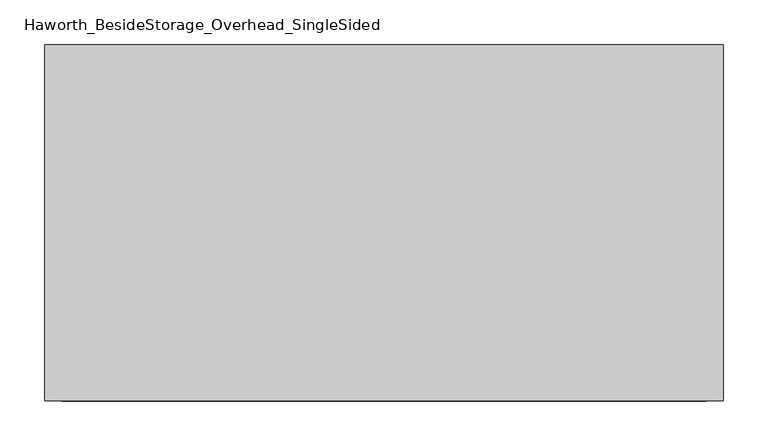
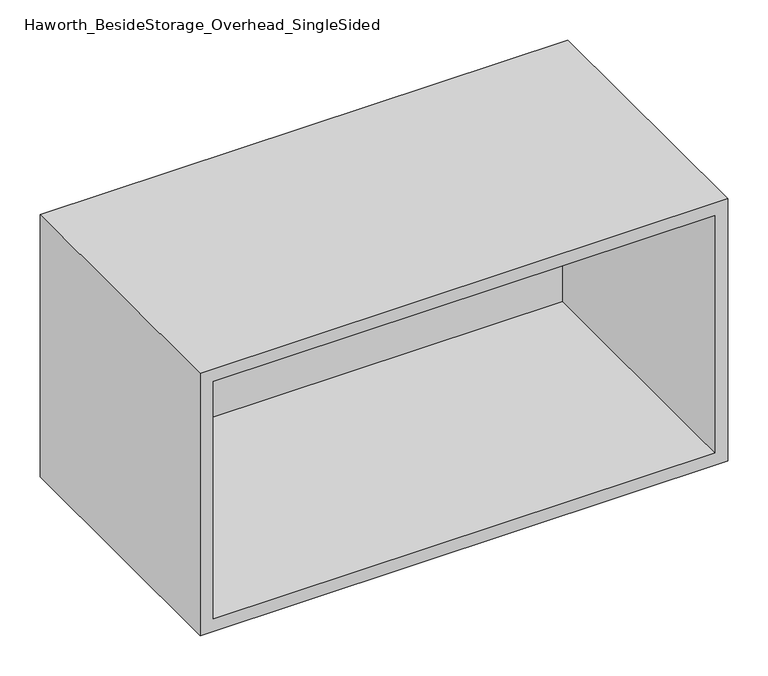
"""IFC4 building model written with IfcOpenShell, lengths in millimetres: furniture geometry, Haworth_BesideStorage_Overhead_SingleSided."""

from ifc_helpers import new_model, si_unit, frame, origin, place, context, project, spatial, polyline, outline, extrude, source, transform, mapped, element, save


def haworth_besidestorage_overhead_singlesided_82ed2de8(model_context):
    return source(origin(), model_context, "Body", "SweptSolid", [
        extrude(outline(polyline([(527.05, -19.05), (-196.85, -19.05), (-196.85, 0.0), (527.05, 0.0), (527.05, -19.05)])), frame((0.0, 0.0, 781.05), z_axis=(0.0, 0.0, 1.0), x_axis=(1.0, 0.0, 0.0)), (0.0, 0.0, 1.0), 361.95),
        extrude(outline(polyline([(762.0, 546.1), (1162.05, 546.1), (1162.05, -215.9), (762.0, -215.9), (762.0, 546.1)]), holes=[polyline([(1143.0, 527.05), (781.05, 527.05), (781.05, -196.85), (1143.0, -196.85), (1143.0, 527.05)])]), frame((0.0, -400.05, 0.0), z_axis=(0.0, 1.0, 0.0), x_axis=(0.0, 0.0, 1.0)), (0.0, 0.0, 1.0), 400.05),
    ])


if __name__ == "__main__":
    model = new_model("IFC4")
    model_context = context("Model", 3, world=origin())
    ifc_project = project(units=[si_unit("LENGTHUNIT", "METRE", prefix="MILLI")], contexts=[model_context])
    site = spatial("IfcSite", under=ifc_project)
    building = spatial("IfcBuilding", under=site)
    placement = place(None, origin())
    haworth_besidestorage_overhead_singlesided_shape = haworth_besidestorage_overhead_singlesided_82ed2de8(model_context)
    element("IfcFurniture", 1, ObjectType="Haworth_BesideStorage_Overhead_SingleSided", at=placement, inside=building, context=model_context, shape_type="MappedRepresentation", body=[
        mapped(haworth_besidestorage_overhead_singlesided_shape, transform((0.0, 0.0, 0.0), x_axis=(1.0, 0.0, 0.0), y_axis=(0.0, 1.0, 0.0), z_axis=(0.0, 0.0, 1.0))),
    ])
    save(model, "model.ifc")
